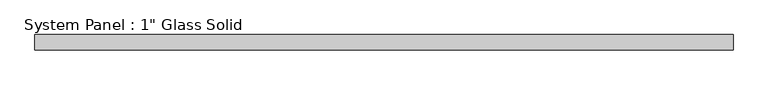
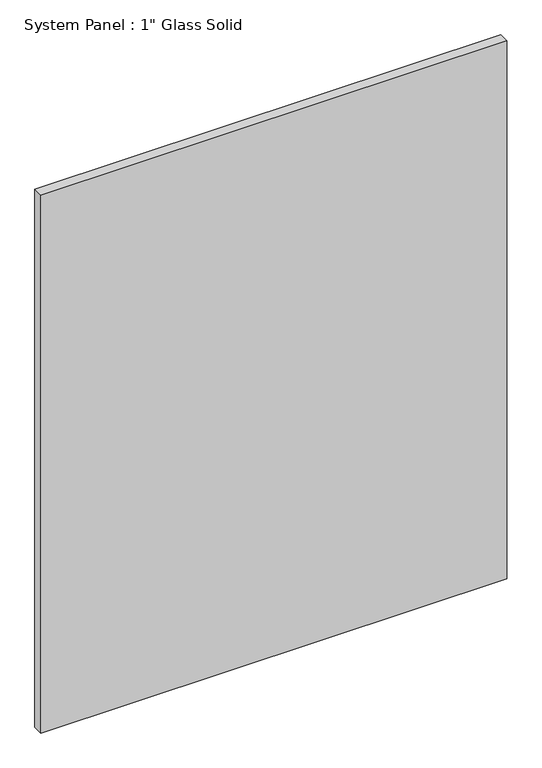
"""IFC4 building model written with IfcOpenShell, lengths in millimetres: plate geometry."""

from ifc_helpers import new_model, si_unit, origin, origin_with_axes, place, context, project, spatial, polyline, outline, extrude, source, transform, mapped, element, save


def plate_25c74e27(model_context):
    return source(origin(), model_context, "Body", "SweptSolid", [
        extrude(outline(polyline([(571.5008852, -12.7), (-571.5008852, -12.7), (-571.5008852, 12.7), (571.5008852, 12.7), (571.5008852, -12.7)])), origin_with_axes(), (0.0, 0.0, 1.0), 1394.5741382),
    ])


if __name__ == "__main__":
    model = new_model("IFC4")
    model_context = context("Model", 3, world=origin())
    ifc_project = project(units=[si_unit("LENGTHUNIT", "METRE", prefix="MILLI")], contexts=[model_context])
    site = spatial("IfcSite", under=ifc_project)
    building = spatial("IfcBuilding", under=site)
    placement = place(None, origin())
    plate_shape = plate_25c74e27(model_context)
    element("IfcPlate", 1, ObjectType="System Panel : 1\" Glass Solid", at=placement, inside=building, context=model_context, shape_type="MappedRepresentation", body=[
        mapped(plate_shape, transform((0.0, 0.0, 0.0), x_axis=(1.0, 0.0, 0.0), y_axis=(0.0, 1.0, 0.0), z_axis=(0.0, 0.0, 1.0))),
    ])
    save(model, "model.ifc")
